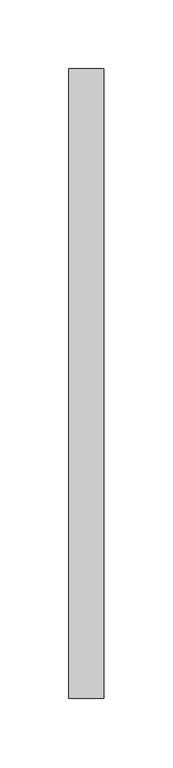
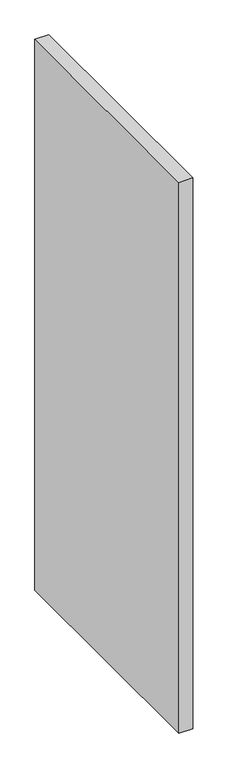
"""IFC4 building model written with IfcOpenShell, lengths in millimetres: proxy geometry."""

from ifc_helpers import new_model, si_unit, frame, origin, place, context, project, spatial, polyline, outline, extrude, source, transform, mapped, element, save


def specialty_equipment_0732ba0f(model_context):
    return source(origin(), model_context, "Body", "SweptSolid", [
        extrude(outline(polyline([(12.7, 171.45), (-12.7, 171.45), (-12.7, 628.65), (12.7, 628.65), (12.7, 171.45)])), frame((0.0, 0.0, 355.6), z_axis=(0.0, 0.0, 1.0), x_axis=(1.0, 0.0, 0.0)), (0.0, 0.0, 1.0), 1066.8),
    ])


if __name__ == "__main__":
    model = new_model("IFC4")
    model_context = context("Model", 3, world=origin())
    ifc_project = project(units=[si_unit("LENGTHUNIT", "METRE", prefix="MILLI")], contexts=[model_context])
    site = spatial("IfcSite", under=ifc_project)
    building = spatial("IfcBuilding", under=site)
    placement = place(None, origin())
    specialty_equipment_shape = specialty_equipment_0732ba0f(model_context)
    element("IfcBuildingElementProxy", 1, Name="Specialty Equipment", at=placement, inside=building, context=model_context, shape_type="MappedRepresentation", body=[
        mapped(specialty_equipment_shape, transform((0.0, 0.0, 0.0), x_axis=(1.0, 0.0, 0.0), y_axis=(0.0, 1.0, 0.0), z_axis=(0.0, 0.0, 1.0))),
    ])
    save(model, "model.ifc")
